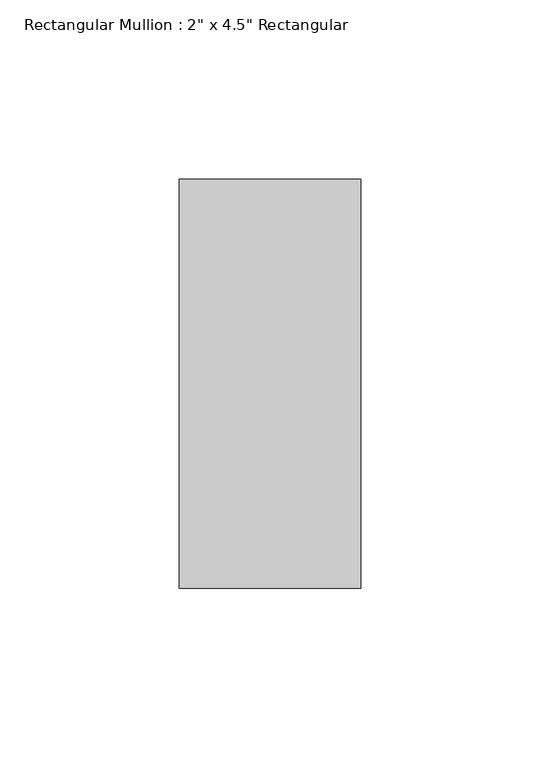
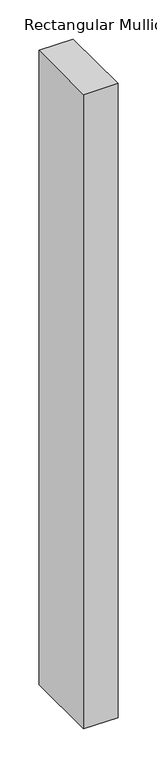
"""IFC4 building model written with IfcOpenShell, lengths in millimetres: member geometry."""

from ifc_helpers import new_model, si_unit, frame, origin, place, context, project, spatial, polyline, outline, extrude, source, transform, mapped, element, save


def member_8b6ec31d(model_context):
    return source(origin(), model_context, "Body", "SweptSolid", [
        extrude(outline(polyline([(0.0, 57.15), (0.0, -57.15), (-50.8, -57.15), (-50.8, 57.15), (0.0, 57.15)])), frame((0.0, 0.0, -990.6), z_axis=(0.0, 0.0, 1.0), x_axis=(1.0, 0.0, 0.0)), (0.0, 0.0, 1.0), 990.6),
    ])


if __name__ == "__main__":
    model = new_model("IFC4")
    model_context = context("Model", 3, world=origin())
    ifc_project = project(units=[si_unit("LENGTHUNIT", "METRE", prefix="MILLI")], contexts=[model_context])
    site = spatial("IfcSite", under=ifc_project)
    building = spatial("IfcBuilding", under=site)
    placement = place(None, origin())
    member_shape = member_8b6ec31d(model_context)
    element("IfcMember", 1, ObjectType="Rectangular Mullion : 2\" x 4.5\" Rectangular", at=placement, inside=building, context=model_context, shape_type="MappedRepresentation", body=[
        mapped(member_shape, transform((0.0, 0.0, 0.0), x_axis=(1.0, 0.0, 0.0), y_axis=(0.0, 1.0, 0.0), z_axis=(0.0, 0.0, 1.0))),
    ])
    save(model, "model.ifc")
